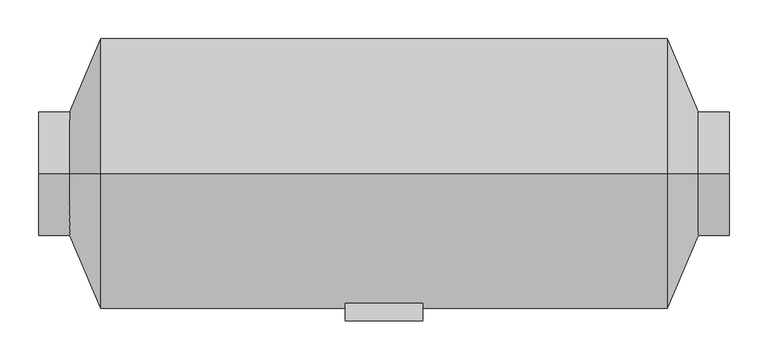
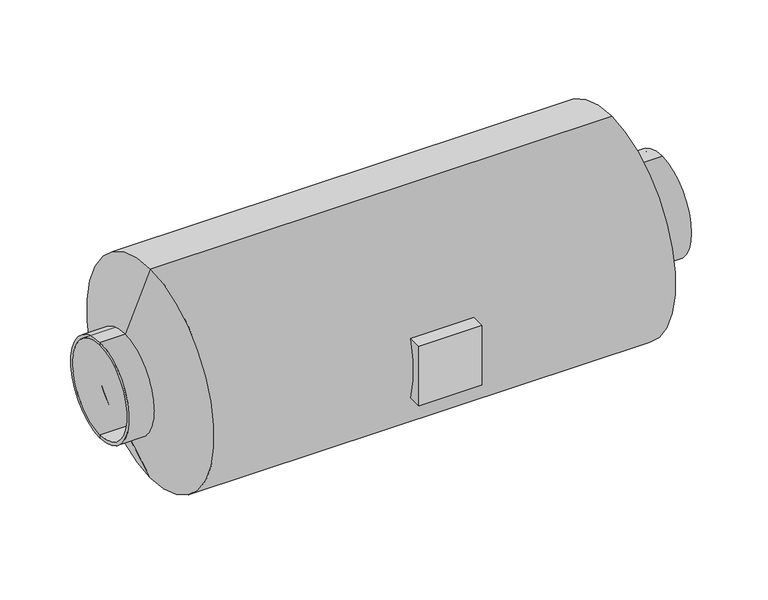
"""IFC4 building model written with IfcOpenShell, lengths in millimetres: proxy geometry."""

import ifcopenshell
import ifcopenshell.guid

model = None  # the IFC model being written
_history = None  # IfcOwnerHistory: only IFC2X3 demands one
_inside = {}  # id of a spatial element -> (the spatial element, [elements in it])
_under = {}  # id of a project, library or spatial element -> (it, [spatial elements below it])
_declared = {}  # id of a project -> (the project, [libraries it declares])
_typed = {}  # id of a type object -> (the type object, [elements of that type])
_made_of = {}  # id of a material, layer set ... -> (it, [elements and type objects made of it])


def new_model(schema):
    """Start an empty IFC model of exactly this schema.

    Asked for "IFC4X3", IfcOpenShell would pick the latest addendum, in which some entities
    have other attributes; the version numbers below select the first issue.
    IFC2X3 requires an IfcOwnerHistory on every rooted entity: one is made here for all.
    """
    global model, _history
    if schema == "IFC4X3":
        model = ifcopenshell.file(schema_version=(4, 3, 0, 0))
    else:
        model = ifcopenshell.file(schema=schema)
    _inside.clear()
    _under.clear()
    _declared.clear()
    _typed.clear()
    _made_of.clear()
    _history = None
    if model.schema == "IFC2X3":
        org = make("IfcOrganization", Name="unknown")
        user = make(
            "IfcPersonAndOrganization",
            ThePerson=make("IfcPerson", FamilyName="unknown"),
            TheOrganization=org,
        )
        app = make(
            "IfcApplication",
            ApplicationDeveloper=org,
            Version="unknown",
            ApplicationFullName="unknown",
            ApplicationIdentifier="unknown",
        )
        _history = make(
            "IfcOwnerHistory",
            OwningUser=user,
            OwningApplication=app,
            ChangeAction="ADDED",
            CreationDate=0,
        )
    return model


def make(cls, **values):
    """One entity of the class cls with the attributes given. An attribute that is None is left unset."""
    return model.create_entity(
        cls, **{name: value for name, value in values.items() if value is not None}
    )


def rooted(cls, **values):
    """An entity with a GlobalId (a new one), such as an element, a storey or a relation."""
    return make(cls, GlobalId=ifcopenshell.guid.new(), OwnerHistory=_history, **values)


def si_unit(unit_type, name, prefix=None):
    """IfcSIUnit, for example si_unit("LENGTHUNIT", "METRE", prefix="MILLI")."""
    return make("IfcSIUnit", UnitType=unit_type, Prefix=prefix, Name=name)


def assignment(units):
    """IfcUnitAssignment: the units of a project."""
    return None if units is None else make("IfcUnitAssignment", Units=units)


def point(xyz):
    """IfcCartesianPoint."""
    return None if xyz is None else make("IfcCartesianPoint", Coordinates=xyz)


def direction(xyz):
    """IfcDirection."""
    return None if xyz is None else make("IfcDirection", DirectionRatios=xyz)


def frame(location, z_axis=None, x_axis=None):
    """IfcAxis2Placement3D, a coordinate frame: its origin and axes. An axis left out is left unset."""
    return make(
        "IfcAxis2Placement3D",
        Location=point(location),
        Axis=direction(z_axis),
        RefDirection=direction(x_axis),
    )


def origin():
    """The frame at (0, 0, 0) with its axes left unset."""
    return frame((0.0, 0.0, 0.0))


def place(relative_to, where):
    """IfcLocalPlacement: puts the frame where relative to a parent placement (None: the world)."""
    return make(
        "IfcLocalPlacement", PlacementRelTo=relative_to, RelativePlacement=where
    )


def context(
    kind, dimensions, precision=None, world=None, true_north=None, identifier=None
):
    """IfcGeometricRepresentationContext, for example the 3D "Model" context."""
    return make(
        "IfcGeometricRepresentationContext",
        ContextIdentifier=identifier,
        ContextType=kind,
        CoordinateSpaceDimension=dimensions,
        Precision=precision,
        WorldCoordinateSystem=world,
        TrueNorth=true_north,
    )


def project(units=None, contexts=None):
    """IfcProject with its units and contexts."""
    return rooted(
        "IfcProject",
        Name="project",
        RepresentationContexts=contexts,
        UnitsInContext=assignment(units),
    )


def spatial(cls, under=None, at=None, **own):
    """A site, building, storey or space (cls), placed at a placement, below another one or the project."""
    s = rooted(cls, ObjectPlacement=at, **own)
    if under is not None:
        _under.setdefault(under.id(), (under, []))[1].append(s)
    return s


def polyline(points):
    """IfcPolyline through the points."""
    return make("IfcPolyline", Points=[point(p) for p in points])


def circle_curve(where, radius):
    """IfcCircle in the frame where."""
    return make("IfcCircle", Position=where, Radius=radius)


def shape(context_of_items, identifier, shape_type, items):
    """IfcShapeRepresentation: the items that make up one representation, for example the "Body"."""
    return make(
        "IfcShapeRepresentation",
        ContextOfItems=context_of_items,
        RepresentationIdentifier=identifier,
        RepresentationType=shape_type,
        Items=items,
    )


def source(mapping_origin, context_of_items, identifier, shape_type, items):
    """IfcRepresentationMap: a shape defined once, which mapped items show again and again."""
    return make(
        "IfcRepresentationMap",
        MappingOrigin=mapping_origin,
        MappedRepresentation=shape(context_of_items, identifier, shape_type, items),
    )


def transform(
    local_origin,
    x_axis=None,
    y_axis=None,
    z_axis=None,
    scale=None,
    scale2=None,
    scale3=None,
    uniform=True,
):
    """IfcCartesianTransformationOperator3D, or its non-uniform kind. x_axis, y_axis, z_axis: its Axis1, 2, 3."""
    if uniform:
        return make(
            "IfcCartesianTransformationOperator3D",
            Axis1=direction(x_axis),
            Axis2=direction(y_axis),
            LocalOrigin=point(local_origin),
            Scale=scale,
            Axis3=direction(z_axis),
        )
    return make(
        "IfcCartesianTransformationOperator3DnonUniform",
        Axis1=direction(x_axis),
        Axis2=direction(y_axis),
        LocalOrigin=point(local_origin),
        Scale=scale,
        Axis3=direction(z_axis),
        Scale2=scale2,
        Scale3=scale3,
    )


def mapped(mapping_source, mapping_target):
    """IfcMappedItem: shows the shape of a source again, moved by a transform."""
    return make(
        "IfcMappedItem", MappingSource=mapping_source, MappingTarget=mapping_target
    )


def made_of(thing, what):
    """Note that an element or type object is made of a material, layer set ...; save() writes the relation."""
    if what is not None:
        _made_of.setdefault(what.id(), (what, []))[1].append(thing)
    return thing


def element(
    cls,
    number,
    at=None,
    inside=None,
    cuts=None,
    type_object=None,
    material=None,
    context=None,
    identifier="Body",
    shape_type=None,
    held_by="IfcProductDefinitionShape",
    body=None,
    shapes=None,
    **own,
):
    """One element of the class cls, such as IfcWall. Its Tag is "e" and its number.

    at: its placement. inside: the storey or other place that contains it. cuts: it is an
    opening in that element (IfcRelVoidsElement). A single representation is given by context,
    identifier, shape_type and body (its items); several are given by shapes. held_by: the class
    of the entity that holds the representations. save() writes the other relations.
    """
    e = rooted(cls, Tag="e%d" % number, ObjectPlacement=at, **own)
    if body is not None:
        shapes = [shape(context, identifier, shape_type, body)]
    if shapes is not None:
        e.Representation = make(held_by, Representations=shapes)
    if inside is not None:
        _inside.setdefault(inside.id(), (inside, []))[1].append(e)
    if cuts is not None:
        rooted(
            "IfcRelVoidsElement", RelatingBuildingElement=cuts, RelatedOpeningElement=e
        )
    if type_object is not None:
        _typed.setdefault(type_object.id(), (type_object, []))[1].append(e)
    return made_of(e, material)


def aggregate(whole, parts):
    """IfcRelAggregates: a whole, such as a stair, and the parts it consists of."""
    return rooted("IfcRelAggregates", RelatingObject=whole, RelatedObjects=parts)


def save(model, path):
    """Write the relations noted so far, then the file.

    IfcRelAggregates (storeys below a building ...), IfcRelContainedInSpatialStructure (elements
    in a storey), IfcRelDefinesByType, IfcRelAssociatesMaterial and IfcRelDeclares: one each for
    every whole, place, type object, material and project.
    """
    for whole, parts in _under.values():
        aggregate(whole, parts)
    for where, things in _inside.values():
        rooted(
            "IfcRelContainedInSpatialStructure",
            RelatedElements=things,
            RelatingStructure=where,
        )
    for kind, things in _typed.values():
        rooted("IfcRelDefinesByType", RelatedObjects=things, RelatingType=kind)
    for what, things in _made_of.values():
        rooted("IfcRelAssociatesMaterial", RelatedObjects=things, RelatingMaterial=what)
    for by, libraries in _declared.values():
        rooted("IfcRelDeclares", RelatingContext=by, RelatedDefinitions=libraries)
    model.write(path)


def plane_surface(at):
    """IfcPlane: the flat surface through the origin of the frame at, square to its z axis."""
    return make("IfcPlane", Position=at)


def cylinder_surface(at, radius):
    """IfcCylindricalSurface: all points at the distance radius from the z axis of the frame at."""
    return make("IfcCylindricalSurface", Position=at, Radius=radius)


def revolved_surface(curve, axis_point, axis_direction):
    """IfcSurfaceOfRevolution: the curve turned about the line through axis_point along axis_direction."""
    return make(
        "IfcSurfaceOfRevolution",
        SweptCurve=make("IfcArbitraryOpenProfileDef", ProfileType="CURVE", Curve=curve),
        AxisPosition=make("IfcAxis1Placement", Location=point(axis_point), Axis=direction(axis_direction)),
    )


def advanced_brep(points, edges, surfaces, faces):
    """IfcAdvancedBrep: a solid bounded by faces that lie on surfaces and meet in shared edges.

    An edge is (start, end): straight between two places in points (the first is 0);
    or (start, end, curve); or (start, end, curve, False) where it runs against its curve.
    A face is (place in surfaces, loops), or (place, loops, False) where it looks against
    its surface's normal. A loop lists edges by number (the first is 1), with a minus sign
    where the edge is run from its end to its start. The first loop is the outer one.
    """
    corners = [point(p) for p in points]
    vertices = [make("IfcVertexPoint", VertexGeometry=c) for c in corners]
    made = []
    for start, end, *more in edges:
        made.append(
            make(
                "IfcEdgeCurve",
                EdgeStart=vertices[start],
                EdgeEnd=vertices[end],
                EdgeGeometry=more[0] if more else make("IfcPolyline", Points=[corners[start], corners[end]]),
                SameSense=more[1] if len(more) > 1 else True,
            )
        )
    hull = []
    for where, loops, *sense in faces:
        bounds = []
        for j, loop in enumerate(loops):
            ring = [make("IfcOrientedEdge", EdgeElement=made[abs(k) - 1], Orientation=k > 0) for k in loop]
            bounds.append(
                make(
                    "IfcFaceOuterBound" if j == 0 else "IfcFaceBound",
                    Bound=make("IfcEdgeLoop", EdgeList=ring),
                    Orientation=True,
                )
            )
        hull.append(make("IfcAdvancedFace", Bounds=bounds, FaceSurface=surfaces[where], SameSense=sense[0] if sense else True))
    return make("IfcAdvancedBrep", Outer=make("IfcClosedShell", CfsFaces=hull))


def mechanical_equipment_702c4125(model_context):
    return source(origin(), model_context, "Body", "AdvancedBrep", [
        advanced_brep(
        [(50.0, -190.0, 225.0), (-50.0, -190.0, 225.0), (-50.0, -190.0, 125.0), (50.0, -190.0, 125.0), (50.0, -167.7050983, 225.0), (-50.0, -167.7050983, 225.0), (-50.0, -167.7050983, 125.0), (50.0, -167.7050983, 125.0), (445.0, 0.0, 100.0), (445.0, 0.0, 250.0), (-445.0, 0.0, 250.0), (-445.0, 0.0, 100.0), (445.0, 0.0, 95.0), (445.0, 0.0, 255.0), (-365.0, 0.0, 0.0), (-365.0, 0.0, 350.0), (365.0, 0.0, 350.0), (365.0, 0.0, 0.0), (-445.0, 0.0, 255.0), (-445.0, 0.0, 95.0), (405.0, 0.0, 95.0), (405.0, 0.0, 255.0), (-405.0, 0.0, 95.0), (-405.0, 0.0, 255.0)],
        [
            (0, 1),
            (1, 2),
            (2, 3),
            (3, 0),
            (0, 4),
            (4, 5),
            (5, 1),
            (5, 6, circle_curve(frame((-50.0, 0.0, 175.0), z_axis=(1.0, 0.0, 0.0), x_axis=(0.0, 0.0, 1.0)), 175.0)),
            (6, 2),
            (6, 7),
            (7, 3),
            (7, 4, circle_curve(frame((50.0, 0.0, 175.0), z_axis=(-1.0, 0.0, 0.0), x_axis=(0.0, 0.0, 1.0)), 175.0)),
            (8, 9, circle_curve(frame((445.0, 0.0, 175.0), z_axis=(1.0, 0.0, 0.0), x_axis=(0.0, 0.0, 1.0)), 75.0)),
            (9, 10),
            (10, 11, circle_curve(frame((-445.0, 0.0, 175.0), z_axis=(-1.0, 0.0, 0.0), x_axis=(0.0, 0.0, 1.0)), 75.0)),
            (11, 8),
            (9, 8, circle_curve(frame((445.0, 0.0, 175.0), z_axis=(1.0, 0.0, 0.0), x_axis=(0.0, 0.0, 1.0)), 75.0)),
            (11, 10, circle_curve(frame((-445.0, 0.0, 175.0), z_axis=(-1.0, 0.0, 0.0), x_axis=(0.0, 0.0, 1.0)), 75.0)),
            (8, 12),
            (12, 13, circle_curve(frame((445.0, 0.0, 175.0), z_axis=(1.0, 0.0, 0.0), x_axis=(0.0, 0.0, 1.0)), 80.0)),
            (13, 9),
            (13, 12, circle_curve(frame((445.0, 0.0, 175.0), z_axis=(1.0, 0.0, 0.0), x_axis=(0.0, 0.0, 1.0)), 80.0)),
            (14, 15, circle_curve(frame((-365.0, 0.0, 175.0), z_axis=(1.0, 0.0, 0.0), x_axis=(0.0, 0.0, 1.0)), 175.0)),
            (15, 16),
            (16, 17, circle_curve(frame((365.0, 0.0, 175.0), z_axis=(-1.0, 0.0, 0.0), x_axis=(0.0, 0.0, 1.0)), 175.0)),
            (17, 14),
            (15, 14, circle_curve(frame((-365.0, 0.0, 175.0), z_axis=(1.0, 0.0, 0.0), x_axis=(0.0, 0.0, 1.0)), 175.0)),
            (17, 16, circle_curve(frame((365.0, 0.0, 175.0), z_axis=(-1.0, 0.0, 0.0), x_axis=(0.0, 0.0, 1.0)), 175.0)),
            (10, 18),
            (18, 19, circle_curve(frame((-445.0, 0.0, 175.0), z_axis=(-1.0, 0.0, 0.0), x_axis=(0.0, 0.0, 1.0)), 80.0)),
            (19, 11),
            (19, 18, circle_curve(frame((-445.0, 0.0, 175.0), z_axis=(-1.0, 0.0, 0.0), x_axis=(0.0, 0.0, 1.0)), 80.0)),
            (12, 20),
            (20, 21, circle_curve(frame((405.0, 0.0, 175.0), z_axis=(1.0, 0.0, 0.0), x_axis=(0.0, 0.0, 1.0)), 80.0)),
            (21, 13),
            (21, 20, circle_curve(frame((405.0, 0.0, 175.0), z_axis=(1.0, 0.0, 0.0), x_axis=(0.0, 0.0, 1.0)), 80.0)),
            (16, 21),
            (20, 17),
            (14, 22),
            (22, 23, circle_curve(frame((-405.0, 0.0, 175.0), z_axis=(1.0, 0.0, 0.0), x_axis=(0.0, 0.0, 1.0)), 80.0)),
            (23, 15),
            (23, 22, circle_curve(frame((-405.0, 0.0, 175.0), z_axis=(1.0, 0.0, 0.0), x_axis=(0.0, 0.0, 1.0)), 80.0)),
            (18, 23),
            (22, 19),
        ],
        [
            plane_surface(frame((-50.0, -190.0, 225.0), z_axis=(0.0, -1.0, 0.0), x_axis=(-1.0, 0.0, 0.0))),
            plane_surface(frame((50.0, -190.0, 225.0), z_axis=(0.0, 0.0, 1.0), x_axis=(0.0, 1.0, 0.0))),
            plane_surface(frame((-50.0, -190.0, 225.0), z_axis=(-1.0, 0.0, 0.0), x_axis=(0.0, 1.0, 0.0))),
            plane_surface(frame((-50.0, -190.0, 125.0), z_axis=(0.0, 0.0, -1.0), x_axis=(0.0, 1.0, 0.0))),
            plane_surface(frame((50.0, -190.0, 125.0), z_axis=(1.0, 0.0, 0.0), x_axis=(0.0, 1.0, 0.0))),
            revolved_surface(polyline([(-445.0, 0.0, 250.0), (445.0, 0.0, 250.0)]), (-1154.5786453, 0.0, 175.0), (-1.0, 0.0, 0.0)),
            plane_surface(frame((445.0, 0.0, 175.0), z_axis=(1.0, 0.0, 0.0), x_axis=(0.0, 0.0, 1.0))),
            cylinder_surface(frame((-1154.5786453, 0.0, 175.0), z_axis=(-1.0, 0.0, 0.0), x_axis=(0.0, 0.0, 1.0)), 175.0),
            plane_surface(frame((-445.0, 0.0, 175.0), z_axis=(-1.0, 0.0, 0.0), x_axis=(0.0, 0.0, 1.0))),
            cylinder_surface(frame((-1154.5786453, 0.0, 175.0), z_axis=(-1.0, 0.0, 0.0), x_axis=(0.0, 0.0, 1.0)), 80.0),
            revolved_surface(polyline([(405.0, 0.0, 255.0), (365.0, 0.0, 350.0)]), (-1154.5786453, 0.0, 175.0), (-1.0, 0.0, 0.0)),
            revolved_surface(polyline([(-365.0, 0.0, 350.0), (-405.0, 0.0, 255.0)]), (-1154.5786453, 0.0, 175.0), (-1.0, 0.0, 0.0)),
        ],
        [
            (0, [[1, 2, 3, 4]]),
            (1, [[-1, 5, 6, 7]]),
            (2, [[-2, -7, 8, 9]]),
            (3, [[-3, -9, 10, 11]]),
            (4, [[-4, -11, 12, -5]]),
            (5, [[13, 14, 15, 16]]),
            (5, [[-14, 17, -16, 18]]),
            (6, [[-13, 19, 20, 21]]),
            (6, [[-17, -21, 22, -19]]),
            (7, [[23, 24, 25, 26]]),
            (7, [[-24, 27, -26, 28], [-6, -12, -10, -8]]),
            (8, [[-15, 29, 30, 31]]),
            (8, [[-18, -31, 32, -29]]),
            (9, [[-20, 33, 34, 35]]),
            (9, [[-22, -35, 36, -33]]),
            (10, [[-25, 37, -34, 38]]),
            (10, [[-28, -38, -36, -37]]),
            (11, [[-23, 39, 40, 41]]),
            (11, [[-27, -41, 42, -39]]),
            (9, [[-30, 43, -40, 44]]),
            (9, [[-32, -44, -42, -43]]),
        ],
    ),
    ])


if __name__ == "__main__":
    model = new_model("IFC4")
    model_context = context("Model", 3, world=origin())
    ifc_project = project(units=[si_unit("LENGTHUNIT", "METRE", prefix="MILLI")], contexts=[model_context])
    site = spatial("IfcSite", under=ifc_project)
    building = spatial("IfcBuilding", under=site)
    placement = place(None, origin())
    mechanical_equipment_shape = mechanical_equipment_702c4125(model_context)
    element("IfcBuildingElementProxy", 1, Name="Mechanical Equipment", at=placement, inside=building, context=model_context, shape_type="MappedRepresentation", body=[
        mapped(mechanical_equipment_shape, transform((0.0, 0.0, 0.0), x_axis=(1.0, 0.0, 0.0), y_axis=(0.0, 1.0, 0.0), z_axis=(0.0, 0.0, 1.0))),
    ])
    save(model, "model.ifc")
